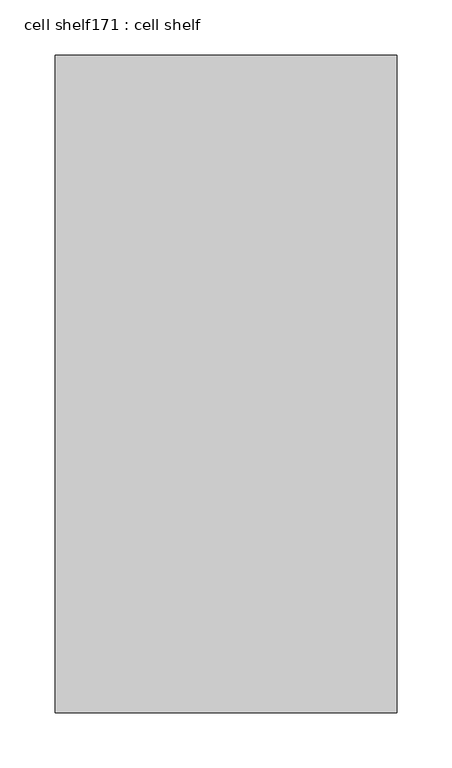
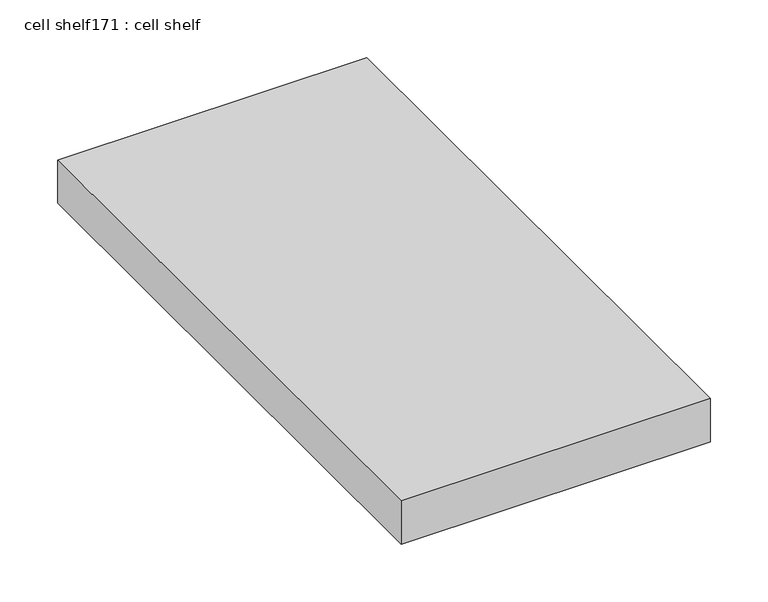
"""IFC4 building model written with IfcOpenShell, lengths in millimetres: proxy geometry, cell shelf171 : cell shelf."""

from ifc_helpers import new_model, si_unit, frame, origin, place, context, project, spatial, polyline, outline, extrude, source, transform, mapped, element, save


def cell_shelf171_cell_shelf_80204455(model_context):
    return source(origin(), model_context, "Body", "SweptSolid", [
        extrude(outline(polyline([(-236592.4407024, -45487.0417641), (-236592.4407024, -44891.9553685), (-236283.0929059, -44891.9553685), (-236283.0929059, -45487.0417641), (-236592.4407024, -45487.0417641)])), frame((0.0, 0.0, 1320.0941517), z_axis=(0.0, 0.0, 1.0), x_axis=(1.0, 0.0, 0.0)), (0.0, 0.0, 1.0), 45.8133004),
    ])


if __name__ == "__main__":
    model = new_model("IFC4")
    model_context = context("Model", 3, world=origin())
    ifc_project = project(units=[si_unit("LENGTHUNIT", "METRE", prefix="MILLI")], contexts=[model_context])
    site = spatial("IfcSite", under=ifc_project)
    building = spatial("IfcBuilding", under=site)
    placement = place(None, origin())
    cell_shelf171_cell_shelf_shape = cell_shelf171_cell_shelf_80204455(model_context)
    element("IfcBuildingElementProxy", 1, Name="cell shelf171 : cell shelf", ObjectType="cell shelf171 : cell shelf", at=placement, inside=building, context=model_context, shape_type="MappedRepresentation", body=[
        mapped(cell_shelf171_cell_shelf_shape, transform((0.0, 0.0, 0.0), x_axis=(1.0, 0.0, 0.0), y_axis=(0.0, 1.0, 0.0), z_axis=(0.0, 0.0, 1.0))),
    ])
    save(model, "model.ifc")
